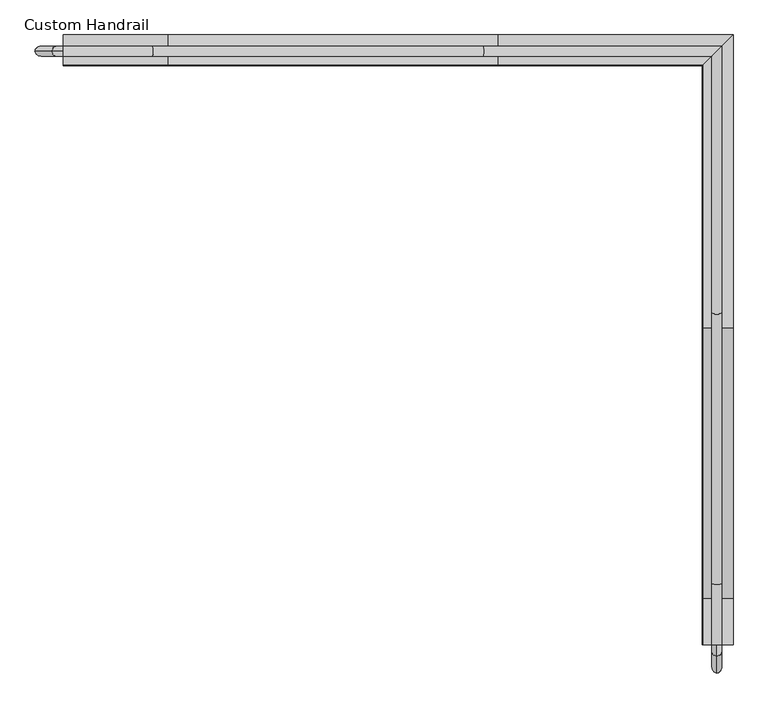
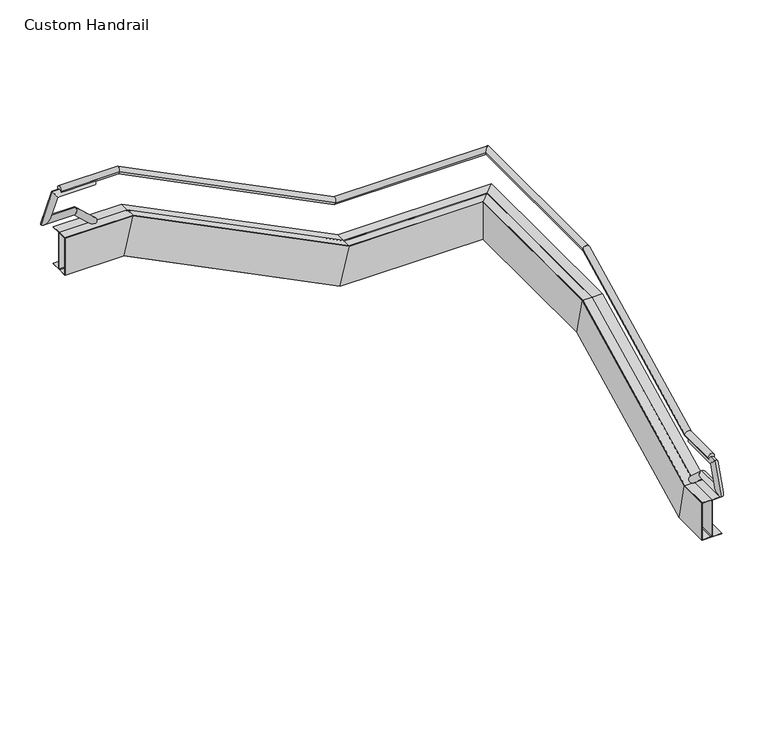
"""IFC4 building model written with IfcOpenShell, lengths in millimetres: railing geometry, Custom Handrail."""

from ifc_helpers import new_model, si_unit, frame, origin, place, context, project, spatial, polyline, circle_curve, ellipse_curve, faceted_brep, source, transform, mapped, element, save
from ifc_brep_helpers import plane_surface, cylinder_surface, revolved_surface, advanced_brep


def custom_handrail_f7198a62(model_context):
    return source(origin(), model_context, "Body", "SolidModel", [
        advanced_brep(
        [(57.9637363, 4535.4661299, 863.6), (159.5637363, 4535.4661299, 863.6), (57.9637363, 5157.0583832, 863.6), (159.5637363, 5157.0583832, 863.6), (57.9637363, 7900.2583832, 2235.2), (159.5637363, 7900.2583832, 2235.2), (57.9637363, 10504.4661299, 2235.2), (159.5637363, 10606.0661299, 2235.2), (-2265.428517, 10504.4661299, 2235.2), (-2265.428517, 10606.0661299, 2235.2), (-5618.228517, 10504.4661299, 3911.6), (-5618.228517, 10606.0661299, 3911.6), (-6520.6362637, 10504.4661299, 3911.6), (-6520.6362637, 10606.0661299, 3911.6)],
        [
            (0, 1, circle_curve(frame((108.7637363, 4535.4661299, 863.6), z_axis=(0.0, -1.0, 0.0), x_axis=(1.0, 0.0, 0.0)), 50.8)),
            (1, 0, circle_curve(frame((108.7637363, 4535.4661299, 863.6), z_axis=(0.0, -1.0, 0.0), x_axis=(1.0, 0.0, 0.0)), 50.8)),
            (0, 2),
            (2, 3, ellipse_curve(frame((108.7637363, 5157.0583832, 863.6), z_axis=(0.0, -0.9732489894677302, -0.22975292054736124), x_axis=(0.0, -0.22975292054736096, 0.9732489894677302)), 52.1963039, 50.8)),
            (3, 1),
            (3, 2, ellipse_curve(frame((108.7637363, 5157.0583832, 863.6), z_axis=(0.0, -0.9732489894677302, -0.22975292054736124), x_axis=(0.0, -0.22975292054736096, 0.9732489894677302)), 52.1963039, 50.8)),
            (2, 4),
            (4, 5, ellipse_curve(frame((108.7637363, 7900.2583832, 2235.2), z_axis=(0.0, -0.9732489894677302, -0.22975292054736132), x_axis=(0.0, 0.2297529205473615, -0.9732489894677301)), 52.1963039, 50.8)),
            (5, 3),
            (5, 4, ellipse_curve(frame((108.7637363, 7900.2583832, 2235.2), z_axis=(0.0, -0.9732489894677302, -0.22975292054736132), x_axis=(0.0, 0.2297529205473615, -0.9732489894677301)), 52.1963039, 50.8)),
            (4, 6),
            (6, 7, ellipse_curve(frame((108.7637363, 10555.2661299, 2235.2), z_axis=(0.7071067811865475, -0.7071067811865475, 0.0), x_axis=(-0.7071067811865474, -0.7071067811865476, 0.0)), 71.842049, 50.8)),
            (7, 5),
            (7, 6, ellipse_curve(frame((108.7637363, 10555.2661299, 2235.2), z_axis=(0.7071067811865475, -0.7071067811865475, 0.0), x_axis=(-0.7071067811865474, -0.7071067811865476, 0.0)), 71.842049, 50.8)),
            (6, 8),
            (8, 9, ellipse_curve(frame((-2265.428517, 10555.2661299, 2235.2), z_axis=(0.9732489894677302, 0.0, -0.22975292054736143), x_axis=(0.2297529205473609, 0.0, 0.9732489894677301)), 52.1963039, 50.8)),
            (9, 7),
            (9, 8, ellipse_curve(frame((-2265.428517, 10555.2661299, 2235.2), z_axis=(0.9732489894677302, 0.0, -0.22975292054736143), x_axis=(0.2297529205473609, 0.0, 0.9732489894677301)), 52.1963039, 50.8)),
            (8, 10),
            (10, 11, ellipse_curve(frame((-5618.228517, 10555.2661299, 3911.6), z_axis=(0.9732489894677302, 0.0, -0.22975292054736152), x_axis=(-0.22975292054736196, 0.0, -0.97324898946773)), 52.1963039, 50.8)),
            (11, 9),
            (11, 10, ellipse_curve(frame((-5618.228517, 10555.2661299, 3911.6), z_axis=(0.9732489894677302, 0.0, -0.22975292054736152), x_axis=(-0.22975292054736196, 0.0, -0.97324898946773)), 52.1963039, 50.8)),
            (12, 13, circle_curve(frame((-6520.6362637, 10555.2661299, 3911.6), z_axis=(-1.0, 0.0, 0.0), x_axis=(0.0, 1.0, 0.0)), 50.8)),
            (13, 12, circle_curve(frame((-6520.6362637, 10555.2661299, 3911.6), z_axis=(-1.0, 0.0, 0.0), x_axis=(0.0, 1.0, 0.0)), 50.8)),
            (10, 12),
            (13, 11),
        ],
        [
            plane_surface(frame((108.7637363, 4535.4661299, 914.4), z_axis=(0.0, -1.0, 0.0), x_axis=(0.0, 0.0, 1.0))),
            cylinder_surface(frame((108.7637363, 4535.4661299, 863.6), z_axis=(0.0, -1.0, 0.0), x_axis=(1.0, 0.0, 0.0)), 50.8),
            cylinder_surface(frame((108.7637363, 5167.7845806, 868.9630987), z_axis=(0.0, -0.8944271909999159, -0.44721359549995804), x_axis=(1.0, 0.0, 0.0)), 50.8),
            cylinder_surface(frame((108.7637363, 7888.2661299, 2235.2), z_axis=(0.0, -1.0, 0.0), x_axis=(1.0, 0.0, 0.0)), 50.8),
            cylinder_surface(frame((108.7637363, 10555.2661299, 2235.2), z_axis=(1.0, 0.0, 0.0), x_axis=(0.0, 1.0, 0.0)), 50.8),
            cylinder_surface(frame((-2276.1547144, 10555.2661299, 2240.5630987), z_axis=(0.8944271909999157, 0.0, -0.4472135954999582), x_axis=(0.0, 1.0, 0.0)), 50.8),
            plane_surface(frame((-6520.6362637, 10555.2661299, 3962.4), z_axis=(-1.0, 0.0, 0.0), x_axis=(0.0, -1.0, 0.0))),
            cylinder_surface(frame((-5606.2362637, 10555.2661299, 3911.6), z_axis=(1.0, 0.0, 0.0), x_axis=(0.0, 1.0, 0.0)), 50.8),
        ],
        [
            (0, [[1, 2]]),
            (1, [[-1, 3, 4, 5]]),
            (1, [[-2, -5, 6, -3]]),
            (2, [[-4, 7, 8, 9]]),
            (2, [[-6, -9, 10, -7]]),
            (3, [[-8, 11, 12, 13]]),
            (3, [[-10, -13, 14, -11]]),
            (4, [[-12, 15, 16, 17]]),
            (4, [[-14, -17, 18, -15]]),
            (5, [[-16, 19, 20, 21]]),
            (5, [[-18, -21, 22, -19]]),
            (6, [[23, 24]]),
            (7, [[-20, 25, -24, 26]]),
            (7, [[-22, -26, -23, -25]]),
        ],
    ),
        advanced_brep(
        [(-30.9362637, 4535.4661299, -457.2), (121.4637363, 4535.4661299, -457.2), (273.8637363, 4535.4661299, -457.2), (273.8637363, 4535.4661299, -450.85), (140.5137363, 4535.4661299, -450.85), (127.8137363, 4535.4661299, -438.15), (127.8137363, 4535.4661299, 133.35), (140.5137363, 4535.4661299, 146.05), (273.8637363, 4535.4661299, 146.05), (273.8637363, 4535.4661299, 152.4), (121.4637363, 4535.4661299, 152.4), (-30.9362637, 4535.4661299, 152.4), (-30.9362637, 4535.4661299, 146.05), (102.4137363, 4535.4661299, 146.05), (115.1137363, 4535.4661299, 133.35), (115.1137363, 4535.4661299, -438.15), (102.4137363, 4535.4661299, -450.85), (-30.9362637, 4535.4661299, -450.85), (-30.9362637, 5145.0661299, -457.2), (121.4637363, 5145.0661299, -457.2), (273.8637363, 5145.0661299, -457.2), (273.8637363, 5143.5670983, -450.85), (140.5137363, 5143.5670983, -450.85), (127.8137363, 5140.569035, -438.15), (127.8137363, 5005.6561858, 133.35), (140.5137363, 5002.6581225, 146.05), (273.8637363, 5002.6581225, 146.05), (273.8637363, 5001.1590909, 152.4), (121.4637363, 5001.1590909, 152.4), (-30.9362637, 5001.1590909, 152.4), (-30.9362637, 5002.6581225, 146.05), (102.4137363, 5002.6581225, 146.05), (115.1137363, 5005.6561858, 133.35), (115.1137363, 5140.569035, -438.15), (102.4137363, 5143.5670983, -450.85), (-30.9362637, 5143.5670983, -450.85), (-30.9362637, 7888.2661299, 914.4), (121.4637363, 7888.2661299, 914.4), (273.8637363, 7888.2661299, 914.4), (273.8637363, 7886.7670983, 920.75), (140.5137363, 7886.7670983, 920.75), (127.8137363, 7883.769035, 933.45), (127.8137363, 7748.8561858, 1504.95), (140.5137363, 7745.8581225, 1517.65), (273.8637363, 7745.8581225, 1517.65), (273.8637363, 7744.3590909, 1524.0), (121.4637363, 7744.3590909, 1524.0), (-30.9362637, 7744.3590909, 1524.0), (-30.9362637, 7745.8581225, 1517.65), (102.4137363, 7745.8581225, 1517.65), (115.1137363, 7748.8561858, 1504.95), (115.1137363, 7883.769035, 933.45), (102.4137363, 7886.7670983, 920.75), (-30.9362637, 7886.7670983, 920.75), (-30.9362637, 10415.5661299, 914.4), (121.4637363, 10567.9661299, 914.4), (273.8637363, 10720.3661299, 914.4), (273.8637363, 10720.3661299, 920.75), (140.5137363, 10587.0161299, 920.75), (127.8137363, 10574.3161299, 933.45), (127.8137363, 10574.3161299, 1504.95), (140.5137363, 10587.0161299, 1517.65), (273.8637363, 10720.3661299, 1517.65), (273.8637363, 10720.3661299, 1524.0), (121.4637363, 10567.9661299, 1524.0), (-30.9362637, 10415.5661299, 1524.0), (-30.9362637, 10415.5661299, 1517.65), (102.4137363, 10548.9161299, 1517.65), (115.1137363, 10561.6161299, 1504.95), (115.1137363, 10561.6161299, 933.45), (102.4137363, 10548.9161299, 920.75), (-30.9362637, 10415.5661299, 920.75), (-2253.4362637, 10415.5661299, 914.4), (-2253.4362637, 10567.9661299, 914.4), (-2253.4362637, 10720.3661299, 914.4), (-2251.9372321, 10720.3661299, 920.75), (-2251.9372321, 10587.0161299, 920.75), (-2248.9391688, 10574.3161299, 933.45), (-2114.0263196, 10574.3161299, 1504.95), (-2111.0282563, 10587.0161299, 1517.65), (-2111.0282563, 10720.3661299, 1517.65), (-2109.5292247, 10720.3661299, 1524.0), (-2109.5292247, 10567.9661299, 1524.0), (-2109.5292247, 10415.5661299, 1524.0), (-2111.0282563, 10415.5661299, 1517.65), (-2111.0282563, 10548.9161299, 1517.65), (-2114.0263196, 10561.6161299, 1504.95), (-2248.9391688, 10561.6161299, 933.45), (-2251.9372321, 10548.9161299, 920.75), (-2251.9372321, 10415.5661299, 920.75), (-5606.2362637, 10415.5661299, 2590.8), (-5606.2362637, 10567.9661299, 2590.8), (-5606.2362637, 10720.3661299, 2590.8), (-5604.7372321, 10720.3661299, 2597.15), (-5604.7372321, 10587.0161299, 2597.15), (-5601.7391688, 10574.3161299, 2609.85), (-5466.8263196, 10574.3161299, 3181.35), (-5463.8282563, 10587.0161299, 3194.05), (-5463.8282563, 10720.3661299, 3194.05), (-5462.3292247, 10720.3661299, 3200.4), (-5462.3292247, 10567.9661299, 3200.4), (-5462.3292247, 10415.5661299, 3200.4), (-5463.8282563, 10415.5661299, 3194.05), (-5463.8282563, 10548.9161299, 3194.05), (-5466.8263196, 10561.6161299, 3181.35), (-5601.7391688, 10561.6161299, 2609.85), (-5604.7372321, 10548.9161299, 2597.15), (-5604.7372321, 10415.5661299, 2597.15), (-6520.6362637, 10415.5661299, 2590.8), (-6520.6362637, 10415.5661299, 2597.15), (-6520.6362637, 10548.9161299, 2597.15), (-6520.6362637, 10561.6161299, 2609.85), (-6520.6362637, 10561.6161299, 3181.35), (-6520.6362637, 10548.9161299, 3194.05), (-6520.6362637, 10415.5661299, 3194.05), (-6520.6362637, 10415.5661299, 3200.4), (-6520.6362637, 10567.9661299, 3200.4), (-6520.6362637, 10720.3661299, 3200.4), (-6520.6362637, 10720.3661299, 3194.05), (-6520.6362637, 10587.0161299, 3194.05), (-6520.6362637, 10574.3161299, 3181.35), (-6520.6362637, 10574.3161299, 2609.85), (-6520.6362637, 10587.0161299, 2597.15), (-6520.6362637, 10720.3661299, 2597.15), (-6520.6362637, 10720.3661299, 2590.8), (-6520.6362637, 10567.9661299, 2590.8)],
        [
            (0, 1),
            (1, 2),
            (2, 3),
            (3, 4),
            (4, 5, circle_curve(frame((140.5137363, 4535.4661299, -438.15), z_axis=(0.0, 1.0, 0.0), x_axis=(1.0, 0.0, 0.0)), 12.7)),
            (5, 6),
            (6, 7, circle_curve(frame((140.5137363, 4535.4661299, 133.35), z_axis=(0.0, 1.0, 0.0), x_axis=(1.0, 0.0, 0.0)), 12.7)),
            (7, 8),
            (8, 9),
            (9, 10),
            (10, 11),
            (11, 12),
            (12, 13),
            (13, 14, circle_curve(frame((102.4137363, 4535.4661299, 133.35), z_axis=(0.0, 1.0, 0.0), x_axis=(1.0, 0.0, 0.0)), 12.7)),
            (14, 15),
            (15, 16, circle_curve(frame((102.4137363, 4535.4661299, -438.15), z_axis=(0.0, 1.0, 0.0), x_axis=(1.0, 0.0, 0.0)), 12.7)),
            (16, 17),
            (17, 0),
            (0, 18),
            (18, 19),
            (19, 1),
            (19, 20),
            (20, 2),
            (20, 21),
            (21, 3),
            (21, 22),
            (22, 4),
            (22, 23, ellipse_curve(frame((140.5137363, 5140.569035, -438.15), z_axis=(0.0, 0.9732489894677302, 0.22975292054736124), x_axis=(0.0, 0.22975292054736096, -0.9732489894677302)), 13.049076, 12.7)),
            (23, 5),
            (23, 24),
            (24, 6),
            (24, 25, ellipse_curve(frame((140.5137363, 5005.6561858, 133.35), z_axis=(0.0, 0.9732489894677302, 0.22975292054736124), x_axis=(0.0, 0.22975292054736096, -0.9732489894677302)), 13.049076, 12.7)),
            (25, 7),
            (25, 26),
            (26, 8),
            (26, 27),
            (27, 9),
            (27, 28),
            (28, 10),
            (28, 29),
            (29, 11),
            (29, 30),
            (30, 12),
            (30, 31),
            (31, 13),
            (31, 32, ellipse_curve(frame((102.4137363, 5005.6561858, 133.35), z_axis=(0.0, 0.9732489894677302, 0.22975292054736124), x_axis=(0.0, 0.22975292054736096, -0.9732489894677302)), 13.049076, 12.7)),
            (32, 14),
            (32, 33),
            (33, 15),
            (33, 34, ellipse_curve(frame((102.4137363, 5140.569035, -438.15), z_axis=(0.0, 0.9732489894677302, 0.22975292054736124), x_axis=(0.0, 0.22975292054736096, -0.9732489894677302)), 13.049076, 12.7)),
            (34, 16),
            (34, 35),
            (35, 17),
            (35, 18),
            (18, 36),
            (36, 37),
            (37, 19),
            (37, 38),
            (38, 20),
            (38, 39),
            (39, 21),
            (39, 40),
            (40, 22),
            (40, 41, ellipse_curve(frame((140.5137363, 7883.769035, 933.45), z_axis=(0.0, 0.9732489894677302, 0.22975292054736132), x_axis=(0.0, -0.2297529205473615, 0.9732489894677301)), 13.049076, 12.7)),
            (41, 23),
            (41, 42),
            (42, 24),
            (42, 43, ellipse_curve(frame((140.5137363, 7748.8561858, 1504.95), z_axis=(0.0, 0.9732489894677302, 0.22975292054736132), x_axis=(0.0, -0.2297529205473615, 0.9732489894677301)), 13.049076, 12.7)),
            (43, 25),
            (43, 44),
            (44, 26),
            (44, 45),
            (45, 27),
            (45, 46),
            (46, 28),
            (46, 47),
            (47, 29),
            (47, 48),
            (48, 30),
            (48, 49),
            (49, 31),
            (49, 50, ellipse_curve(frame((102.4137363, 7748.8561858, 1504.95), z_axis=(0.0, 0.9732489894677302, 0.22975292054736132), x_axis=(0.0, -0.2297529205473615, 0.9732489894677301)), 13.049076, 12.7)),
            (50, 32),
            (50, 51),
            (51, 33),
            (51, 52, ellipse_curve(frame((102.4137363, 7883.769035, 933.45), z_axis=(0.0, 0.9732489894677302, 0.22975292054736132), x_axis=(0.0, -0.2297529205473615, 0.9732489894677301)), 13.049076, 12.7)),
            (52, 34),
            (52, 53),
            (53, 35),
            (53, 36),
            (36, 54),
            (54, 55),
            (55, 37),
            (55, 56),
            (56, 38),
            (56, 57),
            (57, 39),
            (57, 58),
            (58, 40),
            (58, 59, ellipse_curve(frame((140.5137363, 10587.0161299, 933.45), z_axis=(-0.7071067811865475, 0.7071067811865475, 0.0), x_axis=(0.7071067811865474, 0.7071067811865476, 0.0)), 17.9605122, 12.7)),
            (59, 41),
            (59, 60),
            (60, 42),
            (60, 61, ellipse_curve(frame((140.5137363, 10587.0161299, 1504.95), z_axis=(-0.7071067811865475, 0.7071067811865475, 0.0), x_axis=(0.7071067811865474, 0.7071067811865476, 0.0)), 17.9605122, 12.7)),
            (61, 43),
            (61, 62),
            (62, 44),
            (62, 63),
            (63, 45),
            (63, 64),
            (64, 46),
            (64, 65),
            (65, 47),
            (65, 66),
            (66, 48),
            (66, 67),
            (67, 49),
            (67, 68, ellipse_curve(frame((102.4137363, 10548.9161299, 1504.95), z_axis=(-0.7071067811865475, 0.7071067811865475, 0.0), x_axis=(0.7071067811865474, 0.7071067811865476, 0.0)), 17.9605122, 12.7)),
            (68, 50),
            (68, 69),
            (69, 51),
            (69, 70, ellipse_curve(frame((102.4137363, 10548.9161299, 933.45), z_axis=(-0.7071067811865475, 0.7071067811865475, 0.0), x_axis=(0.7071067811865474, 0.7071067811865476, 0.0)), 17.9605122, 12.7)),
            (70, 52),
            (70, 71),
            (71, 53),
            (71, 54),
            (54, 72),
            (72, 73),
            (73, 55),
            (73, 74),
            (74, 56),
            (74, 75),
            (75, 57),
            (75, 76),
            (76, 58),
            (76, 77, ellipse_curve(frame((-2248.9391688, 10587.0161299, 933.45), z_axis=(-0.9732489894677302, 0.0, 0.22975292054736143), x_axis=(-0.2297529205473609, 0.0, -0.9732489894677301)), 13.049076, 12.7)),
            (77, 59),
            (77, 78),
            (78, 60),
            (78, 79, ellipse_curve(frame((-2114.0263196, 10587.0161299, 1504.95), z_axis=(-0.9732489894677302, 0.0, 0.22975292054736143), x_axis=(-0.2297529205473609, 0.0, -0.9732489894677301)), 13.049076, 12.7)),
            (79, 61),
            (79, 80),
            (80, 62),
            (80, 81),
            (81, 63),
            (81, 82),
            (82, 64),
            (82, 83),
            (83, 65),
            (83, 84),
            (84, 66),
            (84, 85),
            (85, 67),
            (85, 86, ellipse_curve(frame((-2114.0263196, 10548.9161299, 1504.95), z_axis=(-0.9732489894677302, 0.0, 0.22975292054736143), x_axis=(-0.2297529205473609, 0.0, -0.9732489894677301)), 13.049076, 12.7)),
            (86, 68),
            (86, 87),
            (87, 69),
            (87, 88, ellipse_curve(frame((-2248.9391688, 10548.9161299, 933.45), z_axis=(-0.9732489894677302, 0.0, 0.22975292054736143), x_axis=(-0.2297529205473609, 0.0, -0.9732489894677301)), 13.049076, 12.7)),
            (88, 70),
            (88, 89),
            (89, 71),
            (89, 72),
            (72, 90),
            (90, 91),
            (91, 73),
            (91, 92),
            (92, 74),
            (92, 93),
            (93, 75),
            (93, 94),
            (94, 76),
            (94, 95, ellipse_curve(frame((-5601.7391688, 10587.0161299, 2609.85), z_axis=(-0.9732489894677302, 0.0, 0.22975292054736152), x_axis=(0.22975292054736196, 0.0, 0.97324898946773)), 13.049076, 12.7)),
            (95, 77),
            (95, 96),
            (96, 78),
            (96, 97, ellipse_curve(frame((-5466.8263196, 10587.0161299, 3181.35), z_axis=(-0.9732489894677302, 0.0, 0.22975292054736152), x_axis=(0.22975292054736196, 0.0, 0.97324898946773)), 13.049076, 12.7)),
            (97, 79),
            (97, 98),
            (98, 80),
            (98, 99),
            (99, 81),
            (99, 100),
            (100, 82),
            (100, 101),
            (101, 83),
            (101, 102),
            (102, 84),
            (102, 103),
            (103, 85),
            (103, 104, ellipse_curve(frame((-5466.8263196, 10548.9161299, 3181.35), z_axis=(-0.9732489894677302, 0.0, 0.22975292054736152), x_axis=(0.22975292054736196, 0.0, 0.97324898946773)), 13.049076, 12.7)),
            (104, 86),
            (104, 105),
            (105, 87),
            (105, 106, ellipse_curve(frame((-5601.7391688, 10548.9161299, 2609.85), z_axis=(-0.9732489894677302, 0.0, 0.22975292054736152), x_axis=(0.22975292054736196, 0.0, 0.97324898946773)), 13.049076, 12.7)),
            (106, 88),
            (106, 107),
            (107, 89),
            (107, 90),
            (108, 109),
            (109, 110),
            (110, 111, circle_curve(frame((-6520.6362637, 10548.9161299, 2609.85), z_axis=(1.0, 0.0, 0.0), x_axis=(0.0, 1.0, 0.0)), 12.7)),
            (111, 112),
            (112, 113, circle_curve(frame((-6520.6362637, 10548.9161299, 3181.35), z_axis=(1.0, 0.0, 0.0), x_axis=(0.0, 1.0, 0.0)), 12.7)),
            (113, 114),
            (114, 115),
            (115, 116),
            (116, 117),
            (117, 118),
            (118, 119),
            (119, 120, circle_curve(frame((-6520.6362637, 10587.0161299, 3181.35), z_axis=(1.0, 0.0, 0.0), x_axis=(0.0, 1.0, 0.0)), 12.7)),
            (120, 121),
            (121, 122, circle_curve(frame((-6520.6362637, 10587.0161299, 2609.85), z_axis=(1.0, 0.0, 0.0), x_axis=(0.0, 1.0, 0.0)), 12.7)),
            (122, 123),
            (123, 124),
            (124, 125),
            (125, 108),
            (90, 108),
            (125, 91),
            (124, 92),
            (123, 93),
            (122, 94),
            (121, 95),
            (120, 96),
            (119, 97),
            (118, 98),
            (117, 99),
            (116, 100),
            (115, 101),
            (114, 102),
            (113, 103),
            (112, 104),
            (111, 105),
            (110, 106),
            (109, 107),
        ],
        [
            plane_surface(frame((121.4637363, 4535.4661299, -457.2), z_axis=(0.0, -1.0, 0.0), x_axis=(0.0, 0.0, 1.0))),
            plane_surface(frame((-30.9362637, 4535.4661299, -457.2), z_axis=(0.0, 0.0, -1.0), x_axis=(0.0, 1.0, 0.0))),
            plane_surface(frame((121.4637363, 4535.4661299, -457.2), z_axis=(0.0, 0.0, -1.0), x_axis=(0.0, 1.0, 0.0))),
            plane_surface(frame((273.8637363, 4535.4661299, -457.2), z_axis=(1.0, 0.0, 0.0), x_axis=(0.0, 1.0, 0.0))),
            plane_surface(frame((273.8637363, 4535.4661299, -450.85), z_axis=(0.0, 0.0, 1.0), x_axis=(0.0, 1.0, 0.0))),
            revolved_surface(polyline([(153.2137363, 5143.567098321445, -438.15), (153.2137363, 4535.4661299, -438.15)]), (140.5137363, 4535.4661299, -438.15), (0.0, 1.0, 0.0)),
            plane_surface(frame((127.8137363, 4535.4661299, -438.15), z_axis=(1.0, 0.0, 0.0), x_axis=(0.0, 1.0, 0.0))),
            revolved_surface(polyline([(153.2137363, 5008.654249121444, 133.35), (153.2137363, 4535.4661299, 133.35)]), (140.5137363, 4535.4661299, 133.35), (0.0, 1.0, 0.0)),
            plane_surface(frame((140.5137363, 4535.4661299, 146.05), z_axis=(0.0, 0.0, -1.0), x_axis=(0.0, 1.0, 0.0))),
            plane_surface(frame((273.8637363, 4535.4661299, 146.05), z_axis=(1.0, 0.0, 0.0), x_axis=(0.0, 1.0, 0.0))),
            plane_surface(frame((273.8637363, 4535.4661299, 152.4), z_axis=(0.0, 0.0, 1.0), x_axis=(0.0, 1.0, 0.0))),
            plane_surface(frame((121.4637363, 4535.4661299, 152.4), z_axis=(0.0, 0.0, 1.0), x_axis=(0.0, 1.0, 0.0))),
            plane_surface(frame((-30.9362637, 4535.4661299, 152.4), z_axis=(-1.0, 0.0, 0.0), x_axis=(0.0, 1.0, 0.0))),
            plane_surface(frame((-30.9362637, 4535.4661299, 146.05), z_axis=(0.0, 0.0, -1.0), x_axis=(0.0, 1.0, 0.0))),
            revolved_surface(polyline([(115.1137363, 5008.654249121444, 133.35), (115.1137363, 4535.4661299, 133.35)]), (102.4137363, 4535.4661299, 133.35), (0.0, 1.0, 0.0)),
            plane_surface(frame((115.1137363, 4535.4661299, 133.35), z_axis=(-1.0, 0.0, 0.0), x_axis=(0.0, 1.0, 0.0))),
            revolved_surface(polyline([(115.1137363, 5143.567098321445, -438.15), (115.1137363, 4535.4661299, -438.15)]), (102.4137363, 4535.4661299, -438.15), (0.0, 1.0, 0.0)),
            plane_surface(frame((102.4137363, 4535.4661299, -450.85), z_axis=(0.0, 0.0, 1.0), x_axis=(0.0, 1.0, 0.0))),
            plane_surface(frame((-30.9362637, 4535.4661299, -450.85), z_axis=(-1.0, 0.0, 0.0), x_axis=(0.0, 1.0, 0.0))),
            plane_surface(frame((-30.9362637, 5145.0661299, -457.2), z_axis=(0.0, 0.447213595499958, -0.894427190999916), x_axis=(0.0, 0.894427190999916, 0.447213595499958))),
            plane_surface(frame((121.4637363, 5145.0661299, -457.2), z_axis=(0.0, 0.447213595499958, -0.894427190999916), x_axis=(0.0, 0.894427190999916, 0.447213595499958))),
            plane_surface(frame((273.8637363, 5145.0661299, -457.2), z_axis=(1.0000000000000002, 0.0, 0.0), x_axis=(0.0, 0.894427190999916, 0.447213595499958))),
            plane_surface(frame((273.8637363, 5143.5670983, -450.85), z_axis=(0.0, -0.447213595499958, 0.894427190999916), x_axis=(0.0, 0.894427190999916, 0.447213595499958))),
            revolved_surface(polyline([(153.2137363, 7886.45058435504, 934.7907746775203), (153.2137363, 5137.88748564, -439.49077467999996)]), (140.5137363, 5136.546711, -440.161162), (0.0, 0.8944271909999159, 0.44721359549995804)),
            plane_surface(frame((127.8137363, 5140.569035, -438.15), z_axis=(1.0000000000000002, 0.0, 0.0), x_axis=(0.0, 0.894427190999916, 0.447213595499958))),
            revolved_surface(polyline([(153.2137363, 7751.53773518, 1506.29077464), (153.2137363, 5002.97463646496, 132.00922528248003)]), (140.5137363, 4880.9641411, 71.0039776), (0.0, 0.8944271909999159, 0.44721359549995804)),
            plane_surface(frame((140.5137363, 5002.6581225, 146.05), z_axis=(0.0, 0.447213595499958, -0.894427190999916), x_axis=(0.0, 0.894427190999916, 0.447213595499958))),
            plane_surface(frame((273.8637363, 5002.6581225, 146.05), z_axis=(1.0000000000000002, 0.0, 0.0), x_axis=(0.0, 0.894427190999916, 0.447213595499958))),
            plane_surface(frame((273.8637363, 5001.1590909, 152.4), z_axis=(0.0, -0.447213595499958, 0.894427190999916), x_axis=(0.0, 0.894427190999916, 0.447213595499958))),
            plane_surface(frame((121.4637363, 5001.1590909, 152.4), z_axis=(0.0, -0.447213595499958, 0.894427190999916), x_axis=(0.0, 0.894427190999916, 0.447213595499958))),
            plane_surface(frame((-30.9362637, 5001.1590909, 152.4), z_axis=(-1.0000000000000002, 0.0, 0.0), x_axis=(0.0, 0.894427190999916, 0.447213595499958))),
            plane_surface(frame((-30.9362637, 5002.6581225, 146.05), z_axis=(0.0, 0.447213595499958, -0.894427190999916), x_axis=(0.0, 0.894427190999916, 0.447213595499958))),
            revolved_surface(polyline([(115.1137363, 7751.53773518, 1506.29077464), (115.1137363, 5002.97463646496, 132.00922528248003)]), (102.4137363, 4880.9641411, 71.0039776), (0.0, 0.8944271909999159, 0.44721359549995804)),
            plane_surface(frame((115.1137363, 5005.6561858, 133.35), z_axis=(-1.0000000000000002, 0.0, 0.0), x_axis=(0.0, 0.894427190999916, 0.447213595499958))),
            revolved_surface(polyline([(115.1137363, 7886.45058435504, 934.7907746775203), (115.1137363, 5137.88748564, -439.49077467999996)]), (102.4137363, 5136.546711, -440.161162), (0.0, 0.8944271909999159, 0.44721359549995804)),
            plane_surface(frame((102.4137363, 5143.5670983, -450.85), z_axis=(0.0, -0.447213595499958, 0.894427190999916), x_axis=(0.0, 0.894427190999916, 0.447213595499958))),
            plane_surface(frame((-30.9362637, 5143.5670983, -450.85), z_axis=(-1.0000000000000002, 0.0, 0.0), x_axis=(0.0, 0.894427190999916, 0.447213595499958))),
            plane_surface(frame((-30.9362637, 7888.2661299, 914.4), z_axis=(0.0, 0.0, -1.0), x_axis=(0.0, 1.0, 0.0))),
            plane_surface(frame((121.4637363, 7888.2661299, 914.4), z_axis=(0.0, 0.0, -1.0), x_axis=(0.0, 1.0, 0.0))),
            plane_surface(frame((273.8637363, 7888.2661299, 914.4), z_axis=(1.0, 0.0, 0.0), x_axis=(0.0, 1.0, 0.0))),
            plane_surface(frame((273.8637363, 7886.7670983, 920.75), z_axis=(0.0, 0.0, 1.0), x_axis=(0.0, 1.0, 0.0))),
            revolved_surface(polyline([(153.2137363, 10599.716129870203, 933.45), (153.2137363, 7880.770971678556, 933.45)]), (140.5137363, 7888.2661299, 933.45), (0.0, 1.0, 0.0)),
            plane_surface(frame((127.8137363, 7883.769035, 933.45), z_axis=(1.0, 0.0, 0.0), x_axis=(0.0, 1.0, 0.0))),
            revolved_surface(polyline([(153.2137363, 10599.716129870203, 1504.95), (153.2137363, 7745.858122478556, 1504.95)]), (140.5137363, 7888.2661299, 1504.95), (0.0, 1.0, 0.0)),
            plane_surface(frame((140.5137363, 7745.8581225, 1517.65), z_axis=(0.0, 0.0, -1.0), x_axis=(0.0, 1.0, 0.0))),
            plane_surface(frame((273.8637363, 7745.8581225, 1517.65), z_axis=(1.0, 0.0, 0.0), x_axis=(0.0, 1.0, 0.0))),
            plane_surface(frame((273.8637363, 7744.3590909, 1524.0), z_axis=(0.0, 0.0, 1.0), x_axis=(0.0, 1.0, 0.0))),
            plane_surface(frame((121.4637363, 7744.3590909, 1524.0), z_axis=(0.0, 0.0, 1.0), x_axis=(0.0, 1.0, 0.0))),
            plane_surface(frame((-30.9362637, 7744.3590909, 1524.0), z_axis=(-1.0, 0.0, 0.0), x_axis=(0.0, 1.0, 0.0))),
            plane_surface(frame((-30.9362637, 7745.8581225, 1517.65), z_axis=(0.0, 0.0, -1.0), x_axis=(0.0, 1.0, 0.0))),
            revolved_surface(polyline([(115.1137363, 10561.6161299, 1504.95), (115.1137363, 7745.858122478556, 1504.95)]), (102.4137363, 7888.2661299, 1504.95), (0.0, 1.0, 0.0)),
            plane_surface(frame((115.1137363, 7748.8561858, 1504.95), z_axis=(-1.0, 0.0, 0.0), x_axis=(0.0, 1.0, 0.0))),
            revolved_surface(polyline([(115.1137363, 10561.6161299, 933.45), (115.1137363, 7880.770971678556, 933.45)]), (102.4137363, 7888.2661299, 933.45), (0.0, 1.0, 0.0)),
            plane_surface(frame((102.4137363, 7886.7670983, 920.75), z_axis=(0.0, 0.0, 1.0), x_axis=(0.0, 1.0, 0.0))),
            plane_surface(frame((-30.9362637, 7886.7670983, 920.75), z_axis=(-1.0, 0.0, 0.0), x_axis=(0.0, 1.0, 0.0))),
            plane_surface(frame((-30.9362637, 10415.5661299, 914.4), z_axis=(0.0, 0.0, -1.0), x_axis=(-1.0, 0.0, 0.0))),
            plane_surface(frame((121.4637363, 10567.9661299, 914.4), z_axis=(0.0, 0.0, -1.0), x_axis=(-1.0, 0.0, 0.0))),
            plane_surface(frame((273.8637363, 10720.3661299, 914.4), z_axis=(0.0, 1.0, 0.0), x_axis=(-1.0, 0.0, 0.0))),
            plane_surface(frame((273.8637363, 10720.3661299, 920.75), z_axis=(0.0, 0.0, 1.0), x_axis=(-1.0, 0.0, 0.0))),
            revolved_surface(polyline([(-2251.9372321214446, 10599.7161299, 933.45), (153.21373627020373, 10599.7161299, 933.45)]), (121.4637363, 10587.0161299, 933.45), (-1.0, 0.0, 0.0)),
            plane_surface(frame((127.8137363, 10574.3161299, 933.45), z_axis=(0.0, 1.0, 0.0), x_axis=(-1.0, 0.0, 0.0))),
            revolved_surface(polyline([(-2117.0243829214446, 10599.7161299, 1504.95), (153.21373627020373, 10599.7161299, 1504.95)]), (121.4637363, 10587.0161299, 1504.95), (-1.0, 0.0, 0.0)),
            plane_surface(frame((140.5137363, 10587.0161299, 1517.65), z_axis=(0.0, 0.0, -1.0), x_axis=(-1.0, 0.0, 0.0))),
            plane_surface(frame((273.8637363, 10720.3661299, 1517.65), z_axis=(0.0, 1.0, 0.0), x_axis=(-1.0, 0.0, 0.0))),
            plane_surface(frame((273.8637363, 10720.3661299, 1524.0), z_axis=(0.0, 0.0, 1.0), x_axis=(-1.0, 0.0, 0.0))),
            plane_surface(frame((121.4637363, 10567.9661299, 1524.0), z_axis=(0.0, 0.0, 1.0), x_axis=(-1.0, 0.0, 0.0))),
            plane_surface(frame((-30.9362637, 10415.5661299, 1524.0), z_axis=(0.0, -1.0, 0.0), x_axis=(-1.0, 0.0, 0.0))),
            plane_surface(frame((-30.9362637, 10415.5661299, 1517.65), z_axis=(0.0, 0.0, -1.0), x_axis=(-1.0, 0.0, 0.0))),
            revolved_surface(polyline([(-2117.0243829214446, 10561.616129900001, 1504.95), (115.1137363, 10561.616129900001, 1504.95)]), (121.4637363, 10548.9161299, 1504.95), (-1.0, 0.0, 0.0)),
            plane_surface(frame((115.1137363, 10561.6161299, 1504.95), z_axis=(0.0, -1.0, 0.0), x_axis=(-1.0, 0.0, 0.0))),
            revolved_surface(polyline([(-2251.9372321214446, 10561.616129900001, 933.45), (115.1137363, 10561.616129900001, 933.45)]), (121.4637363, 10548.9161299, 933.45), (-1.0, 0.0, 0.0)),
            plane_surface(frame((102.4137363, 10548.9161299, 920.75), z_axis=(0.0, 0.0, 1.0), x_axis=(-1.0, 0.0, 0.0))),
            plane_surface(frame((-30.9362637, 10415.5661299, 920.75), z_axis=(0.0, -1.0, 0.0), x_axis=(-1.0, 0.0, 0.0))),
            plane_surface(frame((-2253.4362637, 10415.5661299, 914.4), z_axis=(-0.447213595499958, 0.0, -0.894427190999916), x_axis=(-0.894427190999916, 0.0, 0.447213595499958))),
            plane_surface(frame((-2253.4362637, 10567.9661299, 914.4), z_axis=(-0.447213595499958, 0.0, -0.894427190999916), x_axis=(-0.894427190999916, 0.0, 0.447213595499958))),
            plane_surface(frame((-2253.4362637, 10720.3661299, 914.4), z_axis=(0.0, 1.0, 0.0), x_axis=(-0.894427190999916, 0.0, 0.4472135954999578))),
            plane_surface(frame((-2251.9372321, 10720.3661299, 920.75), z_axis=(0.447213595499958, 0.0, 0.894427190999916), x_axis=(-0.894427190999916, 0.0, 0.447213595499958))),
            revolved_surface(polyline([(-5604.420718135039, 10599.7161299, 2611.190774717521), (-2246.25761942, 10599.7161299, 932.10922536)]), (-2244.9168447, 10587.0161299, 931.438838), (-0.8944271909999157, 0.0, 0.4472135954999582)),
            plane_surface(frame((-2248.9391688, 10574.3161299, 933.45), z_axis=(0.0, 1.0000000000000002, 0.0), x_axis=(-0.894427190999916, 0.0, 0.447213595499958))),
            revolved_surface(polyline([(-5469.507868979999, 10599.7161299, 3182.690774640001), (-2111.3447702649605, 10599.7161299, 1503.6092252824803)]), (-1989.3342749, 10587.0161299, 1442.6039776), (-0.8944271909999157, 0.0, 0.4472135954999582)),
            plane_surface(frame((-2111.0282563, 10587.0161299, 1517.65), z_axis=(-0.4472135954999579, 0.0, -0.894427190999916), x_axis=(-0.894427190999916, 0.0, 0.4472135954999579))),
            plane_surface(frame((-2111.0282563, 10720.3661299, 1517.65), z_axis=(0.0, 1.0000000000000002, 0.0), x_axis=(-0.894427190999916, 0.0, 0.447213595499958))),
            plane_surface(frame((-2109.5292247, 10720.3661299, 1524.0), z_axis=(0.447213595499958, 0.0, 0.894427190999916), x_axis=(-0.894427190999916, 0.0, 0.447213595499958))),
            plane_surface(frame((-2109.5292247, 10567.9661299, 1524.0), z_axis=(0.4472135954999579, 0.0, 0.894427190999916), x_axis=(-0.894427190999916, 0.0, 0.4472135954999579))),
            plane_surface(frame((-2109.5292247, 10415.5661299, 1524.0), z_axis=(0.0, -1.0000000000000002, 0.0), x_axis=(-0.894427190999916, 0.0, 0.447213595499958))),
            plane_surface(frame((-2111.0282563, 10415.5661299, 1517.65), z_axis=(-0.4472135954999578, 0.0, -0.894427190999916), x_axis=(-0.894427190999916, 0.0, 0.4472135954999578))),
            revolved_surface(polyline([(-5469.507868979999, 10561.616129900001, 3182.690774640001), (-2111.3447702649605, 10561.616129900001, 1503.6092252824803)]), (-1989.3342749, 10548.9161299, 1442.6039776), (-0.8944271909999157, 0.0, 0.4472135954999582)),
            plane_surface(frame((-2114.0263196, 10561.6161299, 1504.95), z_axis=(0.0, -1.0000000000000002, 0.0), x_axis=(-0.894427190999916, 0.0, 0.447213595499958))),
            revolved_surface(polyline([(-5604.420718135039, 10561.616129900001, 2611.190774717521), (-2246.25761942, 10561.616129900001, 932.10922536)]), (-2244.9168447, 10548.9161299, 931.438838), (-0.8944271909999157, 0.0, 0.4472135954999582)),
            plane_surface(frame((-2251.9372321, 10548.9161299, 920.75), z_axis=(0.447213595499958, 0.0, 0.894427190999916), x_axis=(-0.894427190999916, 0.0, 0.447213595499958))),
            plane_surface(frame((-2251.9372321, 10415.5661299, 920.75), z_axis=(0.0, -1.0000000000000002, 0.0), x_axis=(-0.894427190999916, 0.0, 0.447213595499958))),
            plane_surface(frame((-6520.6362637, 10567.9661299, 2590.8), z_axis=(-1.0, 0.0, 0.0), x_axis=(0.0, -1.0, 0.0))),
            plane_surface(frame((-5606.2362637, 10415.5661299, 2590.8), z_axis=(0.0, 0.0, -1.0), x_axis=(-1.0, 0.0, 0.0))),
            plane_surface(frame((-5606.2362637, 10567.9661299, 2590.8), z_axis=(0.0, 0.0, -1.0), x_axis=(-1.0, 0.0, 0.0))),
            plane_surface(frame((-5606.2362637, 10720.3661299, 2590.8), z_axis=(0.0, 1.0, 0.0), x_axis=(-1.0, 0.0, 0.0))),
            plane_surface(frame((-5604.7372321, 10720.3661299, 2597.15), z_axis=(0.0, 0.0, 1.0), x_axis=(-1.0, 0.0, 0.0))),
            revolved_surface(polyline([(-6520.6362637, 10599.7161299, 2609.85), (-5598.741105478555, 10599.7161299, 2609.85)]), (-5606.2362637, 10587.0161299, 2609.85), (-1.0, 0.0, 0.0)),
            plane_surface(frame((-5601.7391688, 10574.3161299, 2609.85), z_axis=(0.0, 1.0, 0.0), x_axis=(-1.0, 0.0, 0.0))),
            revolved_surface(polyline([(-6520.6362637, 10599.7161299, 3181.35), (-5463.828256278555, 10599.7161299, 3181.35)]), (-5606.2362637, 10587.0161299, 3181.35), (-1.0, 0.0, 0.0)),
            plane_surface(frame((-5463.8282563, 10587.0161299, 3194.05), z_axis=(0.0, 0.0, -1.0), x_axis=(-1.0, 0.0, 0.0))),
            plane_surface(frame((-5463.8282563, 10720.3661299, 3194.05), z_axis=(0.0, 1.0, 0.0), x_axis=(-1.0, 0.0, 0.0))),
            plane_surface(frame((-5462.3292247, 10720.3661299, 3200.4), z_axis=(0.0, 0.0, 1.0), x_axis=(-1.0, 0.0, 0.0))),
            plane_surface(frame((-5462.3292247, 10567.9661299, 3200.4), z_axis=(0.0, 0.0, 1.0), x_axis=(-1.0, 0.0, 0.0))),
            plane_surface(frame((-5462.3292247, 10415.5661299, 3200.4), z_axis=(0.0, -1.0, 0.0), x_axis=(-1.0, 0.0, 0.0))),
            plane_surface(frame((-5463.8282563, 10415.5661299, 3194.05), z_axis=(0.0, 0.0, -1.0), x_axis=(-1.0, 0.0, 0.0))),
            revolved_surface(polyline([(-6520.6362637, 10561.616129900001, 3181.35), (-5463.828256278555, 10561.616129900001, 3181.35)]), (-5606.2362637, 10548.9161299, 3181.35), (-1.0, 0.0, 0.0)),
            plane_surface(frame((-5466.8263196, 10561.6161299, 3181.35), z_axis=(0.0, -1.0, 0.0), x_axis=(-1.0, 0.0, 0.0))),
            revolved_surface(polyline([(-6520.6362637, 10561.616129900001, 2609.85), (-5598.741105478555, 10561.616129900001, 2609.85)]), (-5606.2362637, 10548.9161299, 2609.85), (-1.0, 0.0, 0.0)),
            plane_surface(frame((-5604.7372321, 10548.9161299, 2597.15), z_axis=(0.0, 0.0, 1.0), x_axis=(-1.0, 0.0, 0.0))),
            plane_surface(frame((-5604.7372321, 10415.5661299, 2597.15), z_axis=(0.0, -1.0, 0.0), x_axis=(-1.0, 0.0, 0.0))),
        ],
        [
            (0, [[1, 2, 3, 4, 5, 6, 7, 8, 9, 10, 11, 12, 13, 14, 15, 16, 17, 18]]),
            (1, [[-1, 19, 20, 21]]),
            (2, [[-2, -21, 22, 23]]),
            (3, [[-3, -23, 24, 25]]),
            (4, [[-4, -25, 26, 27]]),
            (5, [[-5, -27, 28, 29]]),
            (6, [[-6, -29, 30, 31]]),
            (7, [[-7, -31, 32, 33]]),
            (8, [[-8, -33, 34, 35]]),
            (9, [[-9, -35, 36, 37]]),
            (10, [[-10, -37, 38, 39]]),
            (11, [[-11, -39, 40, 41]]),
            (12, [[-12, -41, 42, 43]]),
            (13, [[-13, -43, 44, 45]]),
            (14, [[-14, -45, 46, 47]]),
            (15, [[-15, -47, 48, 49]]),
            (16, [[-16, -49, 50, 51]]),
            (17, [[-17, -51, 52, 53]]),
            (18, [[-18, -53, 54, -19]]),
            (19, [[-20, 55, 56, 57]]),
            (20, [[-22, -57, 58, 59]]),
            (21, [[-24, -59, 60, 61]]),
            (22, [[-26, -61, 62, 63]]),
            (23, [[-28, -63, 64, 65]]),
            (24, [[-30, -65, 66, 67]]),
            (25, [[-32, -67, 68, 69]]),
            (26, [[-34, -69, 70, 71]]),
            (27, [[-36, -71, 72, 73]]),
            (28, [[-38, -73, 74, 75]]),
            (29, [[-40, -75, 76, 77]]),
            (30, [[-42, -77, 78, 79]]),
            (31, [[-44, -79, 80, 81]]),
            (32, [[-46, -81, 82, 83]]),
            (33, [[-48, -83, 84, 85]]),
            (34, [[-50, -85, 86, 87]]),
            (35, [[-52, -87, 88, 89]]),
            (36, [[-54, -89, 90, -55]]),
            (37, [[-56, 91, 92, 93]]),
            (38, [[-58, -93, 94, 95]]),
            (39, [[-60, -95, 96, 97]]),
            (40, [[-62, -97, 98, 99]]),
            (41, [[-64, -99, 100, 101]]),
            (42, [[-66, -101, 102, 103]]),
            (43, [[-68, -103, 104, 105]]),
            (44, [[-70, -105, 106, 107]]),
            (45, [[-72, -107, 108, 109]]),
            (46, [[-74, -109, 110, 111]]),
            (47, [[-76, -111, 112, 113]]),
            (48, [[-78, -113, 114, 115]]),
            (49, [[-80, -115, 116, 117]]),
            (50, [[-82, -117, 118, 119]]),
            (51, [[-84, -119, 120, 121]]),
            (52, [[-86, -121, 122, 123]]),
            (53, [[-88, -123, 124, 125]]),
            (54, [[-90, -125, 126, -91]]),
            (55, [[-92, 127, 128, 129]]),
            (56, [[-94, -129, 130, 131]]),
            (57, [[-96, -131, 132, 133]]),
            (58, [[-98, -133, 134, 135]]),
            (59, [[-100, -135, 136, 137]]),
            (60, [[-102, -137, 138, 139]]),
            (61, [[-104, -139, 140, 141]]),
            (62, [[-106, -141, 142, 143]]),
            (63, [[-108, -143, 144, 145]]),
            (64, [[-110, -145, 146, 147]]),
            (65, [[-112, -147, 148, 149]]),
            (66, [[-114, -149, 150, 151]]),
            (67, [[-116, -151, 152, 153]]),
            (68, [[-118, -153, 154, 155]]),
            (69, [[-120, -155, 156, 157]]),
            (70, [[-122, -157, 158, 159]]),
            (71, [[-124, -159, 160, 161]]),
            (72, [[-126, -161, 162, -127]]),
            (73, [[-128, 163, 164, 165]]),
            (74, [[-130, -165, 166, 167]]),
            (75, [[-132, -167, 168, 169]]),
            (76, [[-134, -169, 170, 171]]),
            (77, [[-136, -171, 172, 173]]),
            (78, [[-138, -173, 174, 175]]),
            (79, [[-140, -175, 176, 177]]),
            (80, [[-142, -177, 178, 179]]),
            (81, [[-144, -179, 180, 181]]),
            (82, [[-146, -181, 182, 183]]),
            (83, [[-148, -183, 184, 185]]),
            (84, [[-150, -185, 186, 187]]),
            (85, [[-152, -187, 188, 189]]),
            (86, [[-154, -189, 190, 191]]),
            (87, [[-156, -191, 192, 193]]),
            (88, [[-158, -193, 194, 195]]),
            (89, [[-160, -195, 196, 197]]),
            (90, [[-162, -197, 198, -163]]),
            (91, [[199, 200, 201, 202, 203, 204, 205, 206, 207, 208, 209, 210, 211, 212, 213, 214, 215, 216]]),
            (92, [[-164, 217, -216, 218]]),
            (93, [[-166, -218, -215, 219]]),
            (94, [[-168, -219, -214, 220]]),
            (95, [[-170, -220, -213, 221]]),
            (96, [[-172, -221, -212, 222]]),
            (97, [[-174, -222, -211, 223]]),
            (98, [[-176, -223, -210, 224]]),
            (99, [[-178, -224, -209, 225]]),
            (100, [[-180, -225, -208, 226]]),
            (101, [[-182, -226, -207, 227]]),
            (102, [[-184, -227, -206, 228]]),
            (103, [[-186, -228, -205, 229]]),
            (104, [[-188, -229, -204, 230]]),
            (105, [[-190, -230, -203, 231]]),
            (106, [[-192, -231, -202, 232]]),
            (107, [[-194, -232, -201, 233]]),
            (108, [[-196, -233, -200, 234]]),
            (109, [[-198, -234, -199, -217]]),
        ],
    ),
        faceted_brep([(-37.2862637, 4535.4661299, 152.4), (-37.2862637, 4535.4661299, -457.2), (-30.9362637, 4535.4661299, -457.2), (-30.9362637, 4535.4661299, 152.4), (-37.2862637, 5001.1590909, 152.4), (-37.2862637, 5145.0661299, -457.2), (-30.9362637, 5145.0661299, -457.2), (-30.9362637, 5001.1590909, 152.4), (-37.2862637, 7744.3590909, 1524.0), (-37.2862637, 7888.2661299, 914.4), (-30.9362637, 7888.2661299, 914.4), (-30.9362637, 7744.3590909, 1524.0), (-37.2862637, 10409.2161299, 1524.0), (-37.2862637, 10409.2161299, 914.4), (-30.9362637, 10415.5661299, 914.4), (-30.9362637, 10415.5661299, 1524.0), (-2109.5292247, 10409.2161299, 1524.0), (-2253.4362637, 10409.2161299, 914.4), (-2253.4362637, 10415.5661299, 914.4), (-2109.5292247, 10415.5661299, 1524.0), (-5462.3292247, 10409.2161299, 3200.4), (-5606.2362637, 10409.2161299, 2590.8), (-5606.2362637, 10415.5661299, 2590.8), (-5462.3292247, 10415.5661299, 3200.4), (-6520.6362637, 10409.2161299, 3200.4), (-6520.6362637, 10415.5661299, 3200.4), (-6520.6362637, 10415.5661299, 2590.8), (-6520.6362637, 10409.2161299, 2590.8)], [[[0, 1, 2, 3]], [[1, 0, 4, 5]], [[2, 1, 5, 6]], [[3, 2, 6, 7]], [[0, 3, 7, 4]], [[5, 4, 8, 9]], [[6, 5, 9, 10]], [[7, 6, 10, 11]], [[4, 7, 11, 8]], [[9, 8, 12, 13]], [[10, 9, 13, 14]], [[11, 10, 14, 15]], [[8, 11, 15, 12]], [[13, 12, 16, 17]], [[14, 13, 17, 18]], [[15, 14, 18, 19]], [[12, 15, 19, 16]], [[17, 16, 20, 21]], [[18, 17, 21, 22]], [[19, 18, 22, 23]], [[16, 19, 23, 20]], [[24, 25, 26, 27]], [[21, 20, 24, 27]], [[22, 21, 27, 26]], [[23, 22, 26, 25]], [[20, 23, 25, 24]]]),
        advanced_brep(
        [(-5987.2362637, 10555.2661299, 3911.6), (-5987.2362637, 10555.2661299, 3810.0), (-6632.4068067, 10555.2661299, 3911.6), (-6561.2657208, 10555.2661299, 3810.0), (-6808.3831687, 10555.2661299, 3428.1089189), (-6663.2833312, 10555.2661299, 3529.7089189), (-6311.7501256, 10555.2661299, 3428.1089189), (-6272.3224018, 10555.2661299, 3529.7089189), (-6021.5034552, 10555.2661299, 3162.8980055), (-5952.9690723, 10555.2661299, 3237.9019945)],
        [
            (0, 1, circle_curve(frame((-5987.2362637, 10555.2661299, 3860.8), z_axis=(1.0, 0.0, 0.0), x_axis=(0.0, 0.0, -1.0)), 50.8)),
            (1, 0, circle_curve(frame((-5987.2362637, 10555.2661299, 3860.8), z_axis=(1.0, 0.0, 0.0), x_axis=(0.0, 0.0, -1.0)), 50.8)),
            (0, 2),
            (2, 3, ellipse_curve(frame((-6596.8362637, 10555.2661299, 3860.8), z_axis=(0.8191520442889922, 0.0, 0.5735764363510455), x_axis=(0.5735764363510455, 0.0, -0.8191520442889922)), 62.0153491, 50.8)),
            (3, 1),
            (3, 2, ellipse_curve(frame((-6596.8362637, 10555.2661299, 3860.8), z_axis=(0.8191520442889922, 0.0, 0.5735764363510455), x_axis=(0.5735764363510455, 0.0, -0.8191520442889922)), 62.0153491, 50.8)),
            (2, 4),
            (4, 5, ellipse_curve(frame((-6735.83325, 10555.2661299, 3478.9089189), z_axis=(-0.5735764363510455, 0.0, 0.8191520442889922), x_axis=(0.8191520442889922, 0.0, 0.5735764363510455)), 88.5670972, 50.8)),
            (5, 3),
            (5, 4, ellipse_curve(frame((-6735.83325, 10555.2661299, 3478.9089189), z_axis=(-0.5735764363510455, 0.0, 0.8191520442889922), x_axis=(0.8191520442889922, 0.0, 0.5735764363510455)), 88.5670972, 50.8)),
            (4, 6),
            (6, 7, ellipse_curve(frame((-6292.0362637, 10555.2661299, 3478.9089189), z_axis=(-0.932262902371369, 0.0, 0.3617815374809931), x_axis=(-0.3617815374809932, 0.0, -0.9322629023713689)), 54.4910667, 50.8)),
            (7, 5),
            (7, 6, ellipse_curve(frame((-6292.0362637, 10555.2661299, 3478.9089189), z_axis=(-0.932262902371369, 0.0, 0.3617815374809931), x_axis=(-0.3617815374809932, 0.0, -0.9322629023713689)), 54.4910667, 50.8)),
            (8, 9, circle_curve(frame((-5987.2362637, 10555.2661299, 3200.4), z_axis=(0.7382282382757775, 0.0, -0.6745510123128138), x_axis=(0.6745510123128138, 0.0, 0.7382282382757775)), 50.8)),
            (9, 8, circle_curve(frame((-5987.2362637, 10555.2661299, 3200.4), z_axis=(0.7382282382757775, 0.0, -0.6745510123128138), x_axis=(0.6745510123128138, 0.0, 0.7382282382757775)), 50.8)),
            (6, 8),
            (9, 7),
        ],
        [
            plane_surface(frame((-5987.2362637, 10555.2661299, 3860.8), z_axis=(1.0, 0.0, 0.0), x_axis=(0.0, -1.0, 0.0))),
            cylinder_surface(frame((-5987.2362637, 10555.2661299, 3860.8), z_axis=(1.0, 0.0, 0.0), x_axis=(0.0, 0.0, -1.0)), 50.8),
            cylinder_surface(frame((-6596.8362637, 10555.2661299, 3860.8), z_axis=(0.3420201433256702, 0.0, 0.9396926207859079), x_axis=(0.9396926207859079, 0.0, -0.3420201433256702)), 50.8),
            cylinder_surface(frame((-6735.83325, 10555.2661299, 3478.9089189), z_axis=(-1.0, 0.0, 0.0), x_axis=(0.0, 0.0, 1.0)), 50.8),
            plane_surface(frame((-5987.2362637, 10555.2661299, 3200.4), z_axis=(0.7382282382757777, 0.0, -0.6745510123128139), x_axis=(0.0, -1.0, 0.0))),
            cylinder_surface(frame((-6292.0362637, 10555.2661299, 3478.9089189), z_axis=(-0.7382282382757775, 0.0, 0.6745510123128138), x_axis=(0.6745510123128138, 0.0, 0.7382282382757775)), 50.8),
        ],
        [
            (0, [[1, 2]]),
            (1, [[-1, 3, 4, 5]]),
            (1, [[-2, -5, 6, -3]]),
            (2, [[-4, 7, 8, 9]]),
            (2, [[-6, -9, 10, -7]]),
            (3, [[-8, 11, 12, 13]]),
            (3, [[-10, -13, 14, -11]]),
            (4, [[15, 16]]),
            (5, [[-12, 17, -16, 18]]),
            (5, [[-14, -18, -15, -17]]),
        ],
    ),
        advanced_brep(
        [(108.7637363, 5068.8661299, 863.6), (108.7637363, 5068.8661299, 762.0), (108.7637363, 4423.695587, 863.6), (108.7637363, 4494.8366729, 762.0), (108.7637363, 4247.719225, 380.1089189), (108.7637363, 4392.8190624, 481.7089189), (108.7637363, 4744.3522681, 380.1089189), (108.7637363, 4783.7799918, 481.7089189), (108.7637363, 5034.5989385, 114.8980055), (108.7637363, 5103.1333214, 189.9019945)],
        [
            (0, 1, circle_curve(frame((108.7637363, 5068.8661299, 812.8), z_axis=(0.0, 1.0, 0.0), x_axis=(0.0, 0.0, -1.0)), 50.8)),
            (1, 0, circle_curve(frame((108.7637363, 5068.8661299, 812.8), z_axis=(0.0, 1.0, 0.0), x_axis=(0.0, 0.0, -1.0)), 50.8)),
            (0, 2),
            (2, 3, ellipse_curve(frame((108.7637363, 4459.2661299, 812.8), z_axis=(0.0, 0.8191520442889922, 0.5735764363510455), x_axis=(0.0, 0.5735764363510455, -0.8191520442889922)), 62.0153491, 50.8)),
            (3, 1),
            (3, 2, ellipse_curve(frame((108.7637363, 4459.2661299, 812.8), z_axis=(0.0, 0.8191520442889922, 0.5735764363510455), x_axis=(0.0, 0.5735764363510455, -0.8191520442889922)), 62.0153491, 50.8)),
            (2, 4),
            (4, 5, ellipse_curve(frame((108.7637363, 4320.2691437, 430.9089189), z_axis=(0.0, -0.5735764363510455, 0.8191520442889922), x_axis=(0.0, 0.8191520442889922, 0.5735764363510455)), 88.5670972, 50.8)),
            (5, 3),
            (5, 4, ellipse_curve(frame((108.7637363, 4320.2691437, 430.9089189), z_axis=(0.0, -0.5735764363510455, 0.8191520442889922), x_axis=(0.0, 0.8191520442889922, 0.5735764363510455)), 88.5670972, 50.8)),
            (4, 6),
            (6, 7, ellipse_curve(frame((108.7637363, 4764.0661299, 430.9089189), z_axis=(0.0, -0.932262902371369, 0.3617815374809931), x_axis=(0.0, -0.3617815374809932, -0.9322629023713689)), 54.4910667, 50.8)),
            (7, 5),
            (7, 6, ellipse_curve(frame((108.7637363, 4764.0661299, 430.9089189), z_axis=(0.0, -0.932262902371369, 0.3617815374809931), x_axis=(0.0, -0.3617815374809932, -0.9322629023713689)), 54.4910667, 50.8)),
            (8, 9, circle_curve(frame((108.7637363, 5068.8661299, 152.4), z_axis=(0.0, 0.7382282382757775, -0.6745510123128138), x_axis=(0.0, 0.6745510123128138, 0.7382282382757775)), 50.8)),
            (9, 8, circle_curve(frame((108.7637363, 5068.8661299, 152.4), z_axis=(0.0, 0.7382282382757775, -0.6745510123128138), x_axis=(0.0, 0.6745510123128138, 0.7382282382757775)), 50.8)),
            (6, 8),
            (9, 7),
        ],
        [
            plane_surface(frame((108.7637363, 5068.8661299, 812.8), z_axis=(0.0, 1.0, 0.0), x_axis=(-1.0, 0.0, 0.0))),
            cylinder_surface(frame((108.7637363, 5068.8661299, 812.8), z_axis=(0.0, 1.0, 0.0), x_axis=(0.0, 0.0, -1.0)), 50.8),
            cylinder_surface(frame((108.7637363, 4459.2661299, 812.8), z_axis=(0.0, 0.3420201433256702, 0.9396926207859079), x_axis=(0.0, 0.9396926207859079, -0.3420201433256702)), 50.8),
            cylinder_surface(frame((108.7637363, 4320.2691437, 430.9089189), z_axis=(0.0, -1.0, 0.0), x_axis=(0.0, 0.0, 1.0)), 50.8),
            plane_surface(frame((108.7637363, 5068.8661299, 152.4), z_axis=(0.0, 0.7382282382757777, -0.6745510123128139), x_axis=(-1.0, 0.0, 0.0))),
            cylinder_surface(frame((108.7637363, 4764.0661299, 430.9089189), z_axis=(0.0, -0.7382282382757775, 0.6745510123128138), x_axis=(0.0, 0.6745510123128138, 0.7382282382757775)), 50.8),
        ],
        [
            (0, [[1, 2]]),
            (1, [[-1, 3, 4, 5]]),
            (1, [[-2, -5, 6, -3]]),
            (2, [[-4, 7, 8, 9]]),
            (2, [[-6, -9, 10, -7]]),
            (3, [[-8, 11, 12, 13]]),
            (3, [[-10, -13, 14, -11]]),
            (4, [[15, 16]]),
            (5, [[-12, 17, -16, 18]]),
            (5, [[-14, -18, -15, -17]]),
        ],
    ),
    ])


if __name__ == "__main__":
    model = new_model("IFC4")
    model_context = context("Model", 3, world=origin())
    ifc_project = project(units=[si_unit("LENGTHUNIT", "METRE", prefix="MILLI")], contexts=[model_context])
    site = spatial("IfcSite", under=ifc_project)
    building = spatial("IfcBuilding", under=site)
    placement = place(None, origin())
    custom_handrail_shape = custom_handrail_f7198a62(model_context)
    element("IfcRailing", 1, ObjectType="Custom Handrail", at=placement, inside=building, context=model_context, shape_type="MappedRepresentation", body=[
        mapped(custom_handrail_shape, transform((0.0, 0.0, 0.0), x_axis=(1.0, 0.0, 0.0), y_axis=(0.0, 1.0, 0.0), z_axis=(0.0, 0.0, 1.0))),
    ])
    save(model, "model.ifc")
